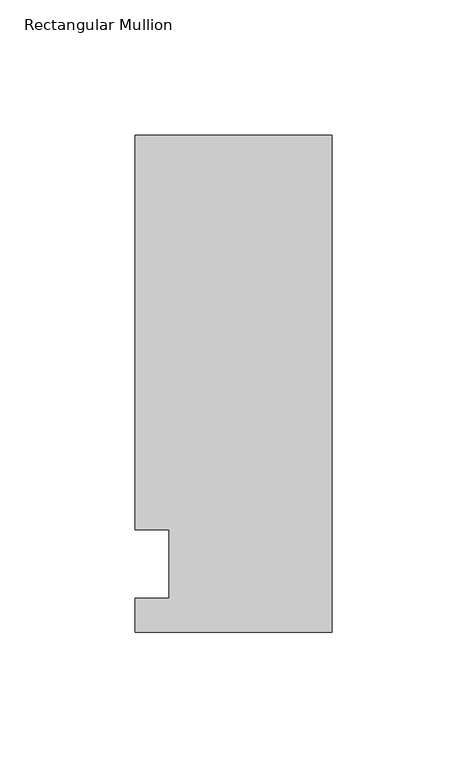
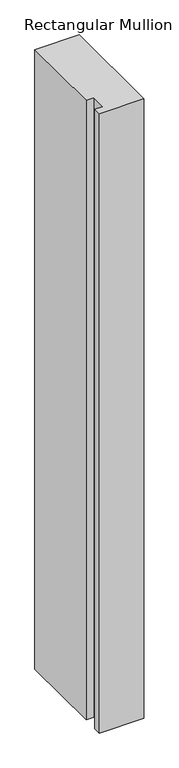
"""IFC4 building model written with IfcOpenShell, lengths in millimetres: member geometry, Rectangular Mullion."""

from ifc_helpers import new_model, si_unit, frame, origin, place, context, project, spatial, polyline, outline, extrude, source, transform, mapped, element, save


def rectangular_mullion_7e33cb8b(model_context):
    return source(origin(), model_context, "Body", "SweptSolid", [
        extrude(outline(polyline([(-73.025, 158.75), (0.0, 158.75), (0.0, -25.4), (-73.025, -25.4), (-73.025, -12.7), (-60.3232296, -12.7), (-60.3232296, 12.7), (-73.025, 12.7), (-73.025, 158.75)])), frame((0.0, 0.0, -1080.6594027), z_axis=(0.0, 0.0, 1.0), x_axis=(1.0, 0.0, 0.0)), (0.0, 0.0, 1.0), 1080.6594027),
    ])


if __name__ == "__main__":
    model = new_model("IFC4")
    model_context = context("Model", 3, world=origin())
    ifc_project = project(units=[si_unit("LENGTHUNIT", "METRE", prefix="MILLI")], contexts=[model_context])
    site = spatial("IfcSite", under=ifc_project)
    building = spatial("IfcBuilding", under=site)
    placement = place(None, origin())
    rectangular_mullion_shape = rectangular_mullion_7e33cb8b(model_context)
    element("IfcMember", 1, ObjectType="Rectangular Mullion", at=placement, inside=building, context=model_context, shape_type="MappedRepresentation", body=[
        mapped(rectangular_mullion_shape, transform((0.0, 0.0, 0.0), x_axis=(1.0, 0.0, 0.0), y_axis=(0.0, 1.0, 0.0), z_axis=(0.0, 0.0, 1.0))),
    ])
    save(model, "model.ifc")
